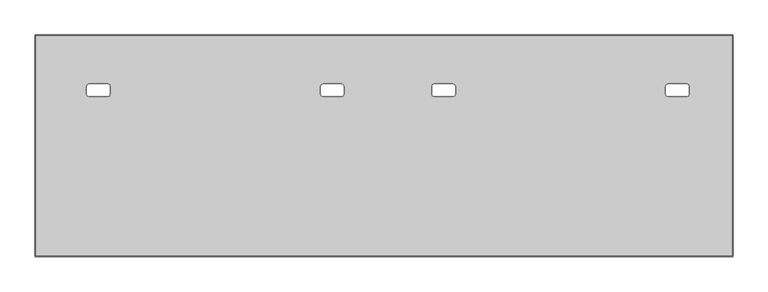
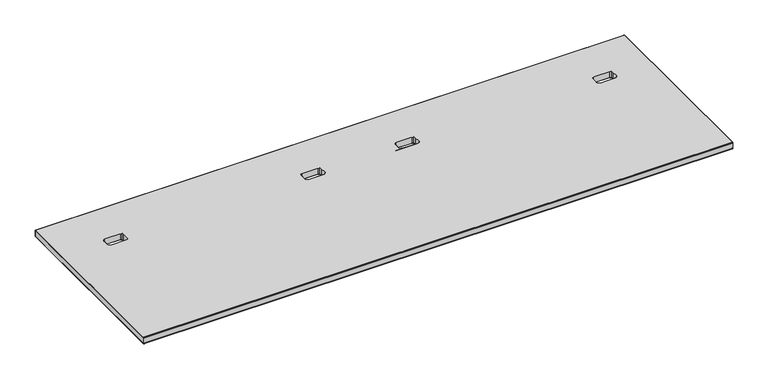
"""IFC4 building model written with IfcOpenShell, lengths in millimetres: furniture geometry."""

from ifc_helpers import new_model, si_unit, origin, place, context, project, spatial, triangles, source, transform, mapped, element, save


def furniture_4f03bff1(model_context):
    return source(origin(), model_context, "Body", "Tessellation", [
        triangles([(1459.268486, -221.568398, 711.1999758), (2211.3440918, -221.568398, 711.1999758), (2204.6054043, -224.3596702, 711.1999758), (1466.0071735, -224.3596702, 711.1999758), (2201.8141502, -231.098394, 711.1999758), (1468.7985729, -231.098394, 711.1999758), (2201.8141502, -257.5043949, 711.1999758), (1468.7985729, -257.5043949, 711.1999758), (1459.268486, -267.0343909, 711.1999758), (2211.3440918, -267.0343909, 711.1999758), (1466.0071735, -264.2431187, 711.1999758), (2204.6054043, -264.2431187, 711.1999758), (1466.0071735, -224.3596702, 738.1239864), (2204.6054043, -224.3596702, 738.1239864), (1459.268486, -221.568398, 738.1239864), (2211.3440918, -221.568398, 738.1239864), (1468.7985729, -231.098394, 738.1239864), (2201.8141502, -231.098394, 738.1239864), (1468.7985729, -257.5043949, 738.1239864), (2201.8141502, -257.5043949, 738.1239864), (1466.0071735, -264.2431187, 738.1239864), (2204.6054043, -264.2431187, 738.1239864), (2211.3440918, -267.0343909, 738.1239864), (1459.268486, -267.0343909, 738.1239864), (999.6578047, -224.3596702, 711.1999758), (261.102104, -224.3596702, 711.1999758), (254.3633802, -221.568398, 711.1999758), (1006.3964922, -221.568398, 711.1999758), (996.866478, -231.098394, 711.1999758), (263.8933763, -231.098394, 711.1999758), (996.866478, -257.5043949, 711.1999758), (263.8933763, -257.5043949, 711.1999758), (999.6578047, -264.2431187, 711.1999758), (261.102104, -264.2431187, 711.1999758), (254.3633802, -267.0343909, 711.1999758), (1006.3964922, -267.0343909, 711.1999758), (1006.3964922, -221.568398, 738.1239864), (254.3633802, -221.568398, 738.1239864), (261.102104, -224.3596702, 738.1239864), (999.6578047, -224.3596702, 738.1239864), (263.8933763, -231.098394, 738.1239864), (996.866478, -231.098394, 738.1239864), (263.8933763, -257.5043949, 738.1239864), (996.866478, -257.5043949, 738.1239864), (1006.3964922, -267.0343909, 738.1239864), (254.3633802, -267.0343909, 738.1239864), (261.102104, -264.2431187, 738.1239864), (999.6578047, -264.2431187, 738.1239864), (2285.365591, -257.5043949, 711.1999758), (2435.7504524, -824.6684132, 711.1999758), (2282.574337, -264.2431187, 711.1999758), (2275.8355042, -267.0343909, 711.1999758), (2435.7504524, -52.9523956, 711.1999758), (2275.8355042, -221.568398, 711.1999758), (2282.574337, -224.3596702, 711.1999758), (2285.365591, -231.098394, 711.1999758), (2.634996, -52.9523956, 711.1999758), (189.8573793, -221.568398, 711.1999758), (183.1186555, -224.3596702, 711.1999758), (180.3273833, -231.098394, 711.1999758), (1070.9025112, -221.568398, 711.1999758), (1394.7625397, -221.568398, 711.1999758), (1388.0238522, -224.3596702, 711.1999758), (1077.6412714, -224.3596702, 711.1999758), (1385.2324528, -231.098394, 711.1999758), (1080.4325254, -231.098394, 711.1999758), (180.3273833, -257.5043949, 711.1999758), (2.634996, -824.6684132, 711.1999758), (183.1186555, -264.2431187, 711.1999758), (189.8573793, -267.0343909, 711.1999758), (1385.2324528, -257.5043949, 711.1999758), (1080.4325254, -257.5043949, 711.1999758), (1070.9025112, -267.0343909, 711.1999758), (1394.7625397, -267.0343909, 711.1999758), (1077.6412714, -264.2431187, 711.1999758), (1388.0238522, -264.2431187, 711.1999758), (2285.365591, -257.5043949, 738.1239864), (2282.574337, -264.2431187, 738.1239864), (2435.7504524, -824.6684132, 738.1239864), (2275.8355042, -267.0343909, 738.1239864), (2435.7504524, -52.9523956, 738.1239864), (2275.8355042, -221.568398, 738.1239864), (2282.574337, -224.3596702, 738.1239864), (2285.365591, -231.098394, 738.1239864), (2.634996, -52.9523956, 738.1239864), (189.8573793, -221.568398, 738.1239864), (183.1186555, -224.3596702, 738.1239864), (180.3273833, -231.098394, 738.1239864), (1077.6412714, -224.3596702, 738.1239864), (1388.0238522, -224.3596702, 738.1239864), (1070.9025112, -221.568398, 738.1239864), (1394.7625397, -221.568398, 738.1239864), (1080.4325254, -231.098394, 738.1239864), (1385.2324528, -231.098394, 738.1239864), (2.634996, -824.6684132, 738.1239864), (180.3273833, -257.5043949, 738.1239864), (183.1186555, -264.2431187, 738.1239864), (189.8573793, -267.0343909, 738.1239864), (1080.4325254, -257.5043949, 738.1239864), (1385.2324528, -257.5043949, 738.1239864), (1077.6412714, -264.2431187, 738.1239864), (1388.0238522, -264.2431187, 738.1239864), (1394.7625397, -267.0343909, 738.1239864), (1070.9025112, -267.0343909, 738.1239864)], [[1, 2, 3], [1, 3, 4], [4, 3, 5], [4, 5, 6], [5, 7, 8], [5, 8, 6], [9, 10, 11], [10, 12, 11], [11, 12, 8], [12, 7, 8], [13, 14, 15], [14, 16, 15], [17, 18, 13], [18, 14, 13], [17, 19, 20], [17, 20, 18], [21, 22, 23], [21, 23, 24], [19, 20, 22], [19, 22, 21], [25, 26, 27], [25, 27, 28], [29, 30, 26], [29, 26, 25], [29, 31, 32], [29, 32, 30], [33, 34, 35], [33, 35, 36], [31, 32, 34], [31, 34, 33], [37, 38, 39], [37, 39, 40], [40, 39, 41], [40, 41, 42], [41, 43, 44], [41, 44, 42], [45, 46, 47], [45, 47, 48], [48, 47, 43], [48, 43, 44], [49, 50, 51], [51, 50, 52], [52, 50, 10], [53, 54, 2], [53, 55, 54], [53, 56, 55], [53, 50, 49], [53, 49, 56], [57, 27, 58], [53, 2, 27], [53, 27, 57], [57, 58, 59], [57, 59, 60], [61, 62, 63], [61, 63, 64], [64, 63, 65], [64, 65, 66], [60, 67, 57], [67, 68, 57], [67, 69, 68], [69, 70, 68], [70, 35, 68], [65, 71, 72], [65, 72, 66], [73, 74, 75], [74, 76, 75], [75, 76, 72], [76, 71, 72], [10, 50, 68], [10, 68, 35], [77, 78, 79], [78, 80, 79], [80, 23, 79], [81, 16, 82], [81, 82, 83], [81, 83, 84], [84, 77, 79], [84, 79, 81], [85, 86, 38], [85, 38, 16], [85, 16, 81], [85, 87, 86], [85, 88, 87], [89, 90, 91], [90, 92, 91], [93, 94, 89], [94, 90, 89], [85, 95, 96], [85, 96, 88], [96, 95, 97], [97, 95, 98], [98, 95, 46], [93, 99, 100], [93, 100, 94], [101, 102, 103], [101, 103, 104], [99, 100, 102], [99, 102, 101], [46, 95, 79], [46, 79, 23]], closed=False),
        triangles([(263.8933763, -231.098394, 738.1239864), (263.8933763, -231.098394, 711.1999758), (263.8933763, -257.5043949, 738.1239864), (263.8933763, -257.5043949, 711.1999758), (254.3633802, -267.0343909, 738.1239864), (254.3633802, -267.0343909, 711.1999758), (189.8573793, -267.0343909, 711.1999758), (189.8573793, -267.0343909, 738.1239864), (180.3273833, -257.5043949, 738.1239864), (180.3273833, -257.5043949, 711.1999758), (180.3273833, -231.098394, 711.1999758), (180.3273833, -231.098394, 738.1239864), (189.8573793, -221.568398, 738.1239864), (189.8573793, -221.568398, 711.1999758), (254.3633802, -221.568398, 738.1239864), (254.3633802, -221.568398, 711.1999758), (1385.2324528, -257.5043949, 738.1239864), (1385.2324528, -257.5043949, 711.1999758), (1385.2324528, -231.098394, 711.1999758), (1385.2324528, -231.098394, 738.1239864), (1459.268486, -267.0343909, 738.1239864), (1459.268486, -267.0343909, 711.1999758), (1394.7625397, -267.0343909, 711.1999758), (1394.7625397, -267.0343909, 738.1239864), (1468.7985729, -231.098394, 738.1239864), (1468.7985729, -231.098394, 711.1999758), (1468.7985729, -257.5043949, 738.1239864), (1468.7985729, -257.5043949, 711.1999758), (1394.7625397, -221.568398, 738.1239864), (1394.7625397, -221.568398, 711.1999758), (1459.268486, -221.568398, 738.1239864), (1459.268486, -221.568398, 711.1999758), (2201.7996162, -257.5043949, 738.1239864), (2201.7996162, -257.5043949, 711.1999758), (2201.7996162, -231.098394, 711.1999758), (2201.7996162, -231.098394, 738.1239864), (2275.8355042, -267.0343909, 738.1239864), (2275.8355042, -267.0343909, 711.1999758), (2211.3295578, -267.0343909, 711.1999758), (2211.3295578, -267.0343909, 738.1239864), (2285.365591, -231.098394, 738.1239864), (2285.365591, -231.098394, 711.1999758), (2285.365591, -257.5043949, 738.1239864), (2285.365591, -257.5043949, 711.1999758), (2211.3295578, -221.568398, 738.1239864), (2211.3295578, -221.568398, 711.1999758), (2275.8355042, -221.568398, 711.1999758), (2275.8355042, -221.568398, 738.1239864), (1080.4325254, -231.098394, 738.1239864), (1080.4325254, -231.098394, 711.1999758), (1080.4325254, -257.5043949, 738.1239864), (1080.4325254, -257.5043949, 711.1999758), (1070.9025112, -267.0343909, 738.1239864), (1070.9025112, -267.0343909, 711.1999758), (1006.3964922, -267.0343909, 711.1999758), (1006.3964922, -267.0343909, 738.1239864), (996.866478, -257.5043949, 738.1239864), (996.866478, -257.5043949, 711.1999758), (996.866478, -231.098394, 711.1999758), (996.866478, -231.098394, 738.1239864), (1006.3964922, -221.568398, 738.1239864), (1006.3964922, -221.568398, 711.1999758), (1070.9025112, -221.568398, 738.1239864), (1070.9025112, -221.568398, 711.1999758), (2437.1791443, -824.6684132, 711.7857685), (2437.1791443, -52.9523956, 711.7857685), (2437.7650097, -52.9523956, 713.199999), (2437.7650097, -824.6684132, 713.199999), (2435.7649864, -824.6684132, 711.1999758), (2435.7649864, -52.9523956, 711.1999758), (2435.7649864, -51.5381832, 711.7857685), (2.634996, -51.5381832, 711.7857685), (2.634996, -50.952395, 713.199999), (2435.7649864, -50.952395, 713.199999), (2.634996, -52.9523956, 711.1999758), (1.2207825, -52.9523956, 711.7857685), (1.2207825, -824.6684132, 711.7857685), (0.634996, -824.6684132, 713.199999), (0.634996, -52.9523956, 713.199999), (2.634996, -824.6684132, 711.1999758), (2.634996, -826.0826437, 711.7857685), (2435.7649864, -826.0826437, 711.7857685), (2435.7649864, -826.6683638, 713.199999), (2.634996, -826.6683638, 713.199999), (2436.7649254, -51.9523976, 711.7857685), (2437.1791443, -51.5381832, 713.199999), (2436.7649254, -825.6684248, 711.7857685), (2437.1791443, -826.0826437, 713.199999), (1.634996, -51.9523976, 711.7857685), (1.2207825, -51.5381832, 713.199999), (1.634996, -825.6684248, 711.7857685), (1.2207825, -826.0826437, 713.199999), (2435.7649864, -50.952395, 736.1240358), (2.634996, -50.952395, 736.1240358), (0.634996, -52.9523956, 736.1240358), (0.634996, -824.6684132, 736.1240358), (2437.7650097, -824.6684132, 736.1240358), (2437.7650097, -52.9523956, 736.1240358), (2.634996, -826.6683638, 736.1240358), (2435.7649864, -826.6683638, 736.1240358), (2437.1791443, -824.6684132, 737.5381937), (2437.1791443, -52.9523956, 737.5381937), (2435.7649864, -824.6684132, 738.1239864), (2435.7649864, -52.9523956, 738.1239864), (2435.7649864, -51.5381832, 737.5381937), (2.634996, -51.5381832, 737.5381937), (2.634996, -52.9523956, 738.1239864), (1.2207825, -52.9523956, 737.5381937), (1.2207825, -824.6684132, 737.5381937), (2.634996, -824.6684132, 738.1239864), (2.634996, -826.0826437, 737.5381937), (2435.7649864, -826.0826437, 737.5381937), (2437.1791443, -51.5381832, 736.1240358), (2436.7649254, -51.9523976, 737.5381937), (2437.1791443, -826.0826437, 736.1240358), (2436.7649254, -825.6684248, 737.5381937), (1.2207825, -51.5381832, 736.1240358), (1.634996, -51.9523976, 737.5381937), (1.2207825, -826.0826437, 736.1240358), (1.634996, -825.6684248, 737.5381937), (1077.6412714, -224.3596702, 711.1999758), (1077.6412714, -224.3596702, 738.1239864), (999.6578047, -264.2431187, 711.1999758), (999.6578047, -264.2431187, 738.1239864), (999.6578047, -224.3596702, 738.1239864), (999.6578047, -224.3596702, 711.1999758), (1077.6412714, -264.2431187, 711.1999758), (1077.6412714, -264.2431187, 738.1239864), (2204.5908703, -224.3596702, 738.1239864), (2204.5908703, -224.3596702, 711.1999758), (2282.574337, -264.2431187, 711.1999758), (2282.574337, -264.2431187, 738.1239864), (2282.574337, -224.3596702, 711.1999758), (2282.574337, -224.3596702, 738.1239864), (2204.5908703, -264.2431187, 711.1999758), (2204.5908703, -264.2431187, 738.1239864), (1388.0237068, -224.3596702, 738.1239864), (1388.0237068, -224.3596702, 711.1999758), (1466.0071735, -264.2431187, 711.1999758), (1466.0071735, -264.2431187, 738.1239864), (1466.0071735, -224.3596702, 711.1999758), (1466.0071735, -224.3596702, 738.1239864), (1388.0237068, -264.2431187, 711.1999758), (1388.0237068, -264.2431187, 738.1239864), (261.102104, -224.3596702, 711.1999758), (261.102104, -224.3596702, 738.1239864), (183.1186555, -264.2431187, 711.1999758), (183.1186555, -264.2431187, 738.1239864), (183.1186555, -224.3596702, 711.1999758), (183.1186555, -224.3596702, 738.1239864), (261.102104, -264.2431187, 738.1239864), (261.102104, -264.2431187, 711.1999758)], [[1, 2, 3], [2, 4, 3], [5, 6, 7], [5, 7, 8], [9, 10, 11], [9, 11, 12], [13, 14, 15], [14, 16, 15], [17, 18, 19], [17, 19, 20], [21, 22, 23], [21, 23, 24], [25, 26, 27], [26, 28, 27], [29, 30, 31], [30, 32, 31], [33, 34, 35], [33, 35, 36], [37, 38, 39], [37, 39, 40], [41, 42, 43], [42, 44, 43], [45, 46, 47], [45, 47, 48], [49, 50, 51], [50, 52, 51], [53, 54, 55], [53, 55, 56], [57, 58, 59], [57, 59, 60], [61, 62, 63], [62, 64, 63], [65, 66, 67], [65, 67, 68], [69, 70, 66], [69, 66, 65], [71, 72, 73], [71, 73, 74], [70, 75, 72], [70, 72, 71], [76, 77, 78], [76, 78, 79], [75, 80, 77], [75, 77, 76], [81, 82, 83], [81, 83, 84], [80, 69, 82], [80, 82, 81], [85, 71, 86], [71, 74, 86], [70, 71, 85], [66, 85, 70], [67, 86, 85], [67, 85, 66], [87, 82, 88], [82, 83, 88], [69, 82, 87], [65, 87, 69], [68, 88, 87], [68, 87, 65], [89, 72, 73], [89, 73, 90], [75, 72, 89], [76, 89, 75], [79, 90, 89], [79, 89, 76], [91, 81, 84], [91, 84, 92], [80, 81, 91], [77, 91, 80], [78, 92, 91], [78, 91, 77], [93, 74, 73], [93, 73, 94], [95, 79, 78], [95, 78, 96], [97, 68, 67], [97, 67, 98], [99, 84, 83], [99, 83, 100], [101, 102, 98], [101, 98, 97], [103, 104, 102], [103, 102, 101], [105, 106, 94], [105, 94, 93], [104, 107, 106], [104, 106, 105], [108, 109, 96], [108, 96, 95], [107, 110, 109], [107, 109, 108], [111, 112, 100], [111, 100, 99], [110, 103, 112], [110, 112, 111], [113, 86, 74], [113, 74, 93], [98, 67, 86], [98, 86, 113], [114, 105, 93], [114, 93, 113], [104, 105, 114], [102, 114, 104], [98, 113, 114], [98, 114, 102], [115, 88, 83], [115, 83, 100], [97, 68, 88], [97, 88, 115], [116, 112, 100], [116, 100, 115], [103, 112, 116], [101, 116, 103], [97, 115, 116], [97, 116, 101], [117, 90, 73], [117, 73, 94], [95, 79, 90], [95, 90, 117], [118, 106, 117], [106, 94, 117], [107, 106, 118], [108, 118, 107], [95, 117, 118], [95, 118, 108], [119, 92, 84], [119, 84, 99], [96, 78, 92], [96, 92, 119], [120, 111, 119], [111, 99, 119], [110, 111, 120], [109, 120, 110], [96, 119, 120], [96, 120, 109], [50, 49, 121], [49, 122, 121], [121, 122, 64], [122, 63, 64], [56, 55, 123], [56, 123, 124], [124, 123, 58], [124, 58, 57], [60, 59, 125], [59, 126, 125], [125, 126, 62], [125, 62, 61], [51, 52, 127], [51, 127, 128], [128, 127, 54], [128, 54, 53], [35, 36, 129], [35, 129, 130], [130, 129, 45], [130, 45, 46], [37, 38, 131], [37, 131, 132], [132, 131, 44], [132, 44, 43], [41, 42, 133], [41, 133, 134], [134, 133, 47], [134, 47, 48], [33, 34, 135], [33, 135, 136], [136, 135, 39], [136, 39, 40], [19, 20, 137], [19, 137, 138], [138, 137, 29], [138, 29, 30], [21, 22, 139], [21, 139, 140], [140, 139, 28], [140, 28, 27], [25, 26, 141], [25, 141, 142], [142, 141, 32], [142, 32, 31], [17, 18, 143], [17, 143, 144], [144, 143, 23], [144, 23, 24], [2, 1, 145], [1, 146, 145], [145, 146, 16], [146, 15, 16], [8, 7, 147], [8, 147, 148], [148, 147, 10], [148, 10, 9], [12, 11, 149], [12, 149, 150], [150, 149, 13], [149, 14, 13], [3, 4, 151], [4, 152, 151], [151, 152, 6], [151, 6, 5]], closed=False),
    ])


if __name__ == "__main__":
    model = new_model("IFC4")
    model_context = context("Model", 3, world=origin())
    ifc_project = project(units=[si_unit("LENGTHUNIT", "METRE", prefix="MILLI")], contexts=[model_context])
    site = spatial("IfcSite", under=ifc_project)
    building = spatial("IfcBuilding", under=site)
    placement = place(None, origin())
    furniture_shape = furniture_4f03bff1(model_context)
    element("IfcFurniture", 1, at=placement, inside=building, context=model_context, shape_type="MappedRepresentation", body=[
        mapped(furniture_shape, transform((0.0, 0.0, 0.0), x_axis=(1.0, 0.0, 0.0), y_axis=(0.0, 1.0, 0.0), z_axis=(0.0, 0.0, 1.0))),
    ])
    save(model, "model.ifc")
